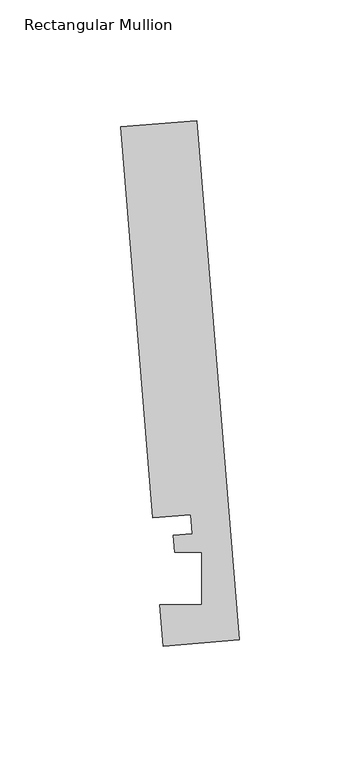
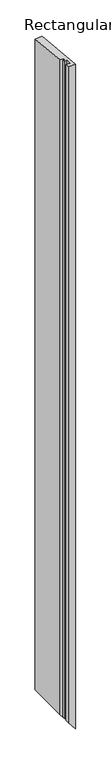
"""IFC4 building model written with IfcOpenShell, lengths in millimetres: member geometry, Rectangular Mullion."""

from ifc_helpers import new_model, si_unit, origin, place, context, project, spatial, faceted_brep, source, transform, mapped, element, save


def rectangular_mullion_4845622e(model_context):
    return source(origin(), model_context, "Body", "Brep", [
        faceted_brep([(-17.8927766, 218.100182, 0.0), (-0.2190396, 2.6699364, 0.0), (-0.2190396, 2.6699364, -2984.9550003), (-17.8927766, 218.100182, -2962.2263822), (-49.5364672, 215.5041572, 0.0), (-49.5364672, 215.5041572, -2921.5322518), (-36.2302824, 53.3112566, 0.0), (-36.2302824, 53.3112566, -2938.6441503), (-20.4084371, 54.6092691, 0.0), (-20.4084371, 54.6092691, -2958.9912155), (-19.7625461, 46.7363188, 0.0), (-19.7625461, 46.7363188, -2959.8218383), (-27.6861262, 46.0862742, 0.0), (-27.6861262, 46.0862742, -2949.632028), (-27.100463, 38.9474576, 0.0), (-27.100463, 38.9474576, -2950.3851973), (-15.848851, 38.9474576, 0.0), (-15.848851, 38.9474576, -2964.8548928), (-15.8506254, 17.315866, 0.0), (-15.8506254, 17.315866, -2964.8526108), (-33.2772473, 17.315866, 0.0), (-33.2772473, 17.315866, -2942.4417855), (-31.8627302, 0.0739116, 0.0), (-31.8627302, 0.0739116, -2944.2608699)], [[[0, 1, 2, 3]], [[4, 0, 3, 5]], [[6, 4, 5, 7]], [[8, 6, 7, 9]], [[10, 8, 9, 11]], [[12, 10, 11, 13]], [[14, 12, 13, 15]], [[16, 14, 15, 17]], [[18, 16, 17, 19]], [[20, 18, 19, 21]], [[22, 20, 21, 23]], [[1, 22, 23, 2]], [[1, 0, 4, 6, 8, 10, 12, 14, 16, 18, 20, 22]], [[2, 23, 21, 19, 17, 15, 13, 11, 9, 7, 5, 3]]]),
    ])


if __name__ == "__main__":
    model = new_model("IFC4")
    model_context = context("Model", 3, world=origin())
    ifc_project = project(units=[si_unit("LENGTHUNIT", "METRE", prefix="MILLI")], contexts=[model_context])
    site = spatial("IfcSite", under=ifc_project)
    building = spatial("IfcBuilding", under=site)
    placement = place(None, origin())
    rectangular_mullion_shape = rectangular_mullion_4845622e(model_context)
    element("IfcMember", 1, ObjectType="Rectangular Mullion", at=placement, inside=building, context=model_context, shape_type="MappedRepresentation", body=[
        mapped(rectangular_mullion_shape, transform((0.0, 0.0, 0.0), x_axis=(1.0, 0.0, 0.0), y_axis=(0.0, 1.0, 0.0), z_axis=(0.0, 0.0, 1.0))),
    ])
    save(model, "model.ifc")
